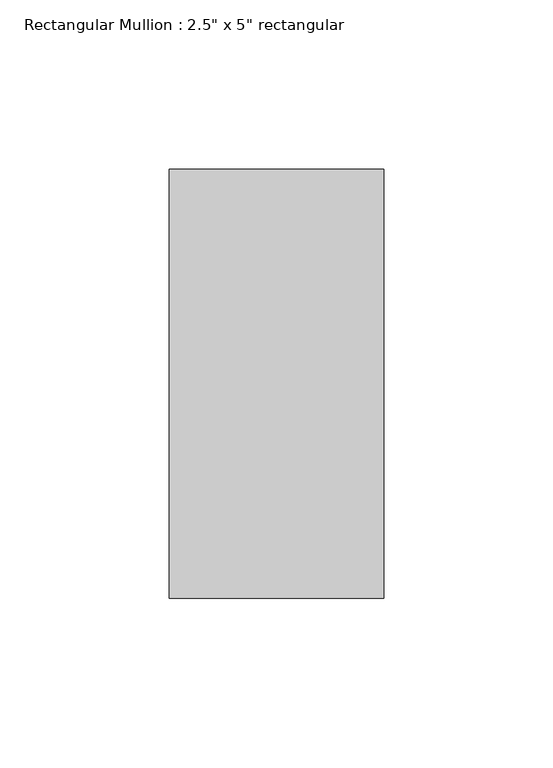
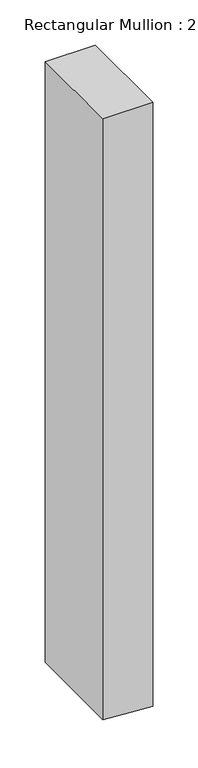
"""IFC4 building model written with IfcOpenShell, lengths in millimetres: member geometry."""

from ifc_helpers import new_model, si_unit, frame, origin, place, context, project, spatial, polyline, outline, extrude, source, transform, mapped, element, save


def member_b928826b(model_context):
    return source(origin(), model_context, "Body", "SweptSolid", [
        extrude(outline(polyline([(0.0, 31.75), (0.0, -31.75), (-809.9357855, -31.75), (-812.3112804, 4.1895048), (-814.1335946, 31.75), (0.0, 31.75)])), frame((0.0, -63.5, 0.0), z_axis=(0.0, 1.0, 0.0), x_axis=(0.0, 0.0, 1.0)), (0.0, 0.0, 1.0), 127.0),
    ])


if __name__ == "__main__":
    model = new_model("IFC4")
    model_context = context("Model", 3, world=origin())
    ifc_project = project(units=[si_unit("LENGTHUNIT", "METRE", prefix="MILLI")], contexts=[model_context])
    site = spatial("IfcSite", under=ifc_project)
    building = spatial("IfcBuilding", under=site)
    placement = place(None, origin())
    member_shape = member_b928826b(model_context)
    element("IfcMember", 1, ObjectType="Rectangular Mullion : 2.5\" x 5\" rectangular", at=placement, inside=building, context=model_context, shape_type="MappedRepresentation", body=[
        mapped(member_shape, transform((0.0, 0.0, 0.0), x_axis=(1.0, 0.0, 0.0), y_axis=(0.0, 1.0, 0.0), z_axis=(0.0, 0.0, 1.0))),
    ])
    save(model, "model.ifc")
